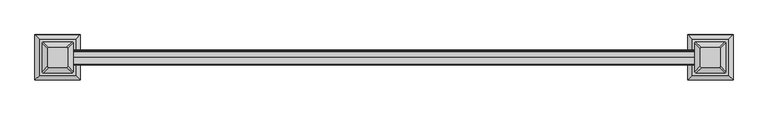
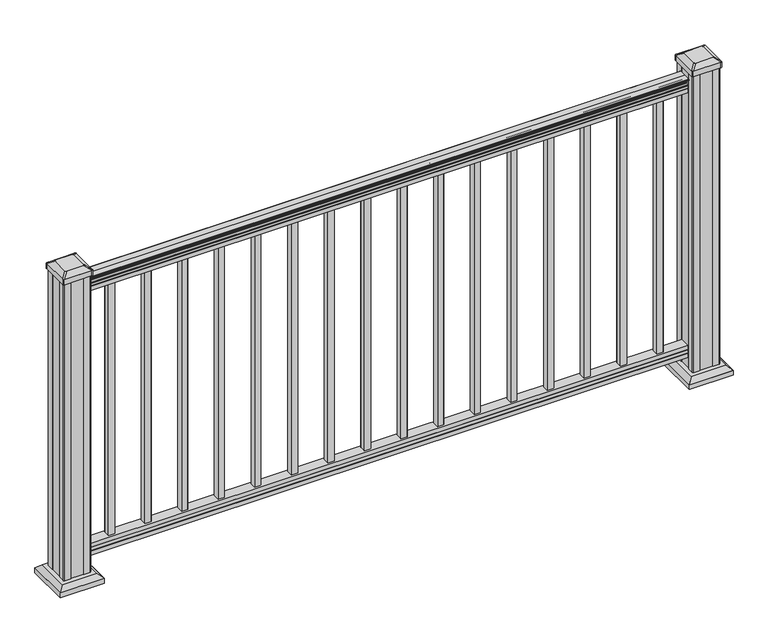
"""IFC4 building model written with IfcOpenShell, lengths in millimetres: railing geometry."""

from ifc_helpers import new_model, si_unit, point, frame, frame_2d, origin, origin_with_axes, place, context, project, spatial, polyline, circle_curve, trimmed, segment, composite_curve, outline, extrude, faceted_brep, source, transform, mapped, element, save
from ifc_brep_helpers import plane_surface, extruded_surface, advanced_brep


def railing_eaf5a454(model_context):
    return source(origin(), model_context, "Body", "SolidModel", [
        extrude(outline(composite_curve([segment(trimmed(circle_curve(frame_2d((3957.2690602, 938.4043297)), 1.2869144), [point((3958.5559745, 938.4043297))], [point((3955.9821458, 938.4043297))], False, "CARTESIAN"), True, "CONTINUOUS"), segment(polyline([(3955.9821458, 938.4043297), (3955.9821458, 927.747013), (3956.9981458, 926.731013), (3956.9981458, 914.4), (3925.2481458, 914.4), (3925.2481458, 926.8888283), (3926.2641458, 927.9048283), (3926.2641458, 938.4043297)]), True, "CONTINUOUS"), segment(trimmed(circle_curve(frame_2d((3924.9772314, 938.4043297)), 1.2869144), [point((3926.2641458, 938.4043297))], [point((3923.6903171, 938.4043297))], False, "CARTESIAN"), True, "CONTINUOUS"), segment(polyline([(3923.6903171, 938.4043297), (3923.6903171, 940.292412)]), True, "CONTINUOUS"), segment(trimmed(circle_curve(frame_2d((3930.0050703, 946.0506383)), 8.545951), [point((3923.6903171, 940.292412))], [point((3922.5601308, 941.8546695))], False, "CARTESIAN"), True, "CONTINUOUS"), segment(trimmed(circle_curve(frame_2d((3929.5680074, 945.4636577)), 7.882584), [point((3922.5601308, 941.8546695))], [point((3922.5601308, 949.0726458))], False, "CARTESIAN"), True, "CONTINUOUS"), segment(trimmed(circle_curve(frame_2d((3919.0546832, 951.3112527)), 4.1592695), [point((3922.5601308, 949.0726458))], [point((3923.2093872, 951.5060812))], True, "CARTESIAN"), True, "CONTINUOUS"), segment(trimmed(circle_curve(frame_2d((3917.7673767, 951.2508864)), 5.4479907), [point((3923.2093872, 951.5060812))], [point((3920.7093872, 955.8362083))], True, "CARTESIAN"), True, "CONTINUOUS"), segment(trimmed(circle_curve(frame_2d((3919.0005351, 955.833395)), 1.7088543), [point((3920.7093872, 955.8362083))], [point((3919.3000447, 957.5157972))], True, "CARTESIAN"), True, "CONTINUOUS"), segment(trimmed(circle_curve(frame_2d((3920.6174352, 958.6205318)), 1.7192895), [point((3919.3000447, 957.5157972))], [point((3918.8981457, 958.6205318))], False, "CARTESIAN"), True, "CONTINUOUS"), segment(polyline([(3918.8981457, 958.6205318), (3918.8981458, 959.9608158)]), True, "CONTINUOUS"), segment(trimmed(circle_curve(frame_2d((3920.451593, 959.9608158)), 1.5534472), [point((3918.8981458, 959.9608158))], [point((3920.451593, 961.514263))], False, "CARTESIAN"), True, "CONTINUOUS"), segment(polyline([(3920.451593, 961.514263), (3941.1231458, 961.514263), (3961.7946986, 961.514263)]), True, "CONTINUOUS"), segment(trimmed(circle_curve(frame_2d((3961.7946986, 959.9608158)), 1.5534472), [point((3961.7946986, 961.514263))], [point((3963.3481458, 959.9608158))], False, "CARTESIAN"), True, "CONTINUOUS"), segment(polyline([(3963.3481458, 959.9608158), (3963.3481458, 958.6205318)]), True, "CONTINUOUS"), segment(trimmed(circle_curve(frame_2d((3961.6288564, 958.6205318)), 1.7192895), [point((3963.3481458, 958.6205318))], [point((3962.9462469, 957.5157972))], False, "CARTESIAN"), True, "CONTINUOUS"), segment(trimmed(circle_curve(frame_2d((3963.2457565, 955.833395)), 1.7088543), [point((3962.9462469, 957.5157972))], [point((3961.5369044, 955.8362083))], True, "CARTESIAN"), True, "CONTINUOUS"), segment(trimmed(circle_curve(frame_2d((3964.4789149, 951.2508864)), 5.4479907), [point((3961.5369044, 955.8362083))], [point((3959.0369044, 951.5060812))], True, "CARTESIAN"), True, "CONTINUOUS"), segment(trimmed(circle_curve(frame_2d((3963.1916083, 951.3112527)), 4.1592695), [point((3959.0369044, 951.5060812))], [point((3959.6861608, 949.0726458))], True, "CARTESIAN"), True, "CONTINUOUS"), segment(trimmed(circle_curve(frame_2d((3952.6782842, 945.4636577)), 7.882584), [point((3959.6861608, 949.0726458))], [point((3959.6861608, 941.8546695))], False, "CARTESIAN"), True, "CONTINUOUS"), segment(trimmed(circle_curve(frame_2d((3952.2412213, 946.0506383)), 8.545951), [point((3959.6861608, 941.8546695))], [point((3958.5559745, 940.292412))], False, "CARTESIAN"), True, "CONTINUOUS"), segment(polyline([(3958.5559745, 940.292412), (3958.5559745, 938.4043297)]), True, "CONTINUOUS")], self_intersect=False)), frame((17200.486903, 0.0, 0.0), z_axis=(1.0, 0.0, 0.0), x_axis=(0.0, 1.0, 0.0)), (0.0, 0.0, 1.0), 1828.8),
        extrude(outline(polyline([(3957.0356327, 76.0541976), (3957.0356327, 63.5), (3925.2856327, 63.5), (3925.2856327, 76.0375508), (3926.3016327, 77.3858283), (3926.3016327, 87.6975248), (3925.2856327, 89.0458024), (3925.2856327, 101.5958781), (3957.0356327, 101.5958781), (3957.0356327, 89.0624492), (3956.0196327, 87.7141717), (3956.0196327, 77.3546183), (3957.0356327, 76.0541976)])), frame((17200.486903, 0.0, 0.0), z_axis=(1.0, 0.0, 0.0), x_axis=(0.0, 1.0, 0.0)), (0.0, 0.0, 1.0), 1828.8),
        extrude(outline(polyline([(18938.799403, 3950.6481458), (18957.849403, 3950.6481458), (18957.849403, 3931.5981458), (18938.799403, 3931.5981458), (18938.799403, 3950.6481458)]), holes=[polyline([(18939.196278, 3950.2512708), (18939.196278, 3931.9950208), (18957.452528, 3931.9950208), (18957.452528, 3950.2512708), (18939.196278, 3950.2512708)])]), frame((0.0, 0.0, 101.5958781), z_axis=(0.0, 0.0, 1.0), x_axis=(1.0, 0.0, 0.0)), (0.0, 0.0, 1.0), 812.8041219),
        extrude(outline(polyline([(18827.674403, 3950.6481458), (18846.724403, 3950.6481458), (18846.724403, 3931.5981458), (18827.674403, 3931.5981458), (18827.674403, 3950.6481458)]), holes=[polyline([(18828.071278, 3950.2512708), (18828.071278, 3931.9950208), (18846.327528, 3931.9950208), (18846.327528, 3950.2512708), (18828.071278, 3950.2512708)])]), frame((0.0, 0.0, 101.5958781), z_axis=(0.0, 0.0, 1.0), x_axis=(1.0, 0.0, 0.0)), (0.0, 0.0, 1.0), 812.8041219),
        extrude(outline(polyline([(18716.549403, 3950.6481458), (18735.599403, 3950.6481458), (18735.599403, 3931.5981458), (18716.549403, 3931.5981458), (18716.549403, 3950.6481458)]), holes=[polyline([(18716.946278, 3950.2512708), (18716.946278, 3931.9950208), (18735.202528, 3931.9950208), (18735.202528, 3950.2512708), (18716.946278, 3950.2512708)])]), frame((0.0, 0.0, 101.5958781), z_axis=(0.0, 0.0, 1.0), x_axis=(1.0, 0.0, 0.0)), (0.0, 0.0, 1.0), 812.8041219),
        extrude(outline(polyline([(18605.424403, 3950.6481458), (18624.474403, 3950.6481458), (18624.474403, 3931.5981458), (18605.424403, 3931.5981458), (18605.424403, 3950.6481458)]), holes=[polyline([(18605.821278, 3950.2512708), (18605.821278, 3931.9950208), (18624.077528, 3931.9950208), (18624.077528, 3950.2512708), (18605.821278, 3950.2512708)])]), frame((0.0, 0.0, 101.5958781), z_axis=(0.0, 0.0, 1.0), x_axis=(1.0, 0.0, 0.0)), (0.0, 0.0, 1.0), 812.8041219),
        extrude(outline(polyline([(18494.299403, 3950.6481458), (18513.349403, 3950.6481458), (18513.349403, 3931.5981458), (18494.299403, 3931.5981458), (18494.299403, 3950.6481458)]), holes=[polyline([(18494.696278, 3950.2512708), (18494.696278, 3931.9950208), (18512.952528, 3931.9950208), (18512.952528, 3950.2512708), (18494.696278, 3950.2512708)])]), frame((0.0, 0.0, 101.5958781), z_axis=(0.0, 0.0, 1.0), x_axis=(1.0, 0.0, 0.0)), (0.0, 0.0, 1.0), 812.8041219),
        extrude(outline(polyline([(18383.174403, 3950.6481458), (18402.224403, 3950.6481458), (18402.224403, 3931.5981458), (18383.174403, 3931.5981458), (18383.174403, 3950.6481458)]), holes=[polyline([(18383.571278, 3950.2512708), (18383.571278, 3931.9950208), (18401.827528, 3931.9950208), (18401.827528, 3950.2512708), (18383.571278, 3950.2512708)])]), frame((0.0, 0.0, 101.5958781), z_axis=(0.0, 0.0, 1.0), x_axis=(1.0, 0.0, 0.0)), (0.0, 0.0, 1.0), 812.8041219),
        extrude(outline(polyline([(18272.049403, 3950.6481458), (18291.099403, 3950.6481458), (18291.099403, 3931.5981458), (18272.049403, 3931.5981458), (18272.049403, 3950.6481458)]), holes=[polyline([(18272.446278, 3950.2512708), (18272.446278, 3931.9950208), (18290.702528, 3931.9950208), (18290.702528, 3950.2512708), (18272.446278, 3950.2512708)])]), frame((0.0, 0.0, 101.5958781), z_axis=(0.0, 0.0, 1.0), x_axis=(1.0, 0.0, 0.0)), (0.0, 0.0, 1.0), 812.8041219),
        extrude(outline(polyline([(18160.924403, 3950.6481458), (18179.974403, 3950.6481458), (18179.974403, 3931.5981458), (18160.924403, 3931.5981458), (18160.924403, 3950.6481458)]), holes=[polyline([(18161.321278, 3950.2512708), (18161.321278, 3931.9950208), (18179.577528, 3931.9950208), (18179.577528, 3950.2512708), (18161.321278, 3950.2512708)])]), frame((0.0, 0.0, 101.5958781), z_axis=(0.0, 0.0, 1.0), x_axis=(1.0, 0.0, 0.0)), (0.0, 0.0, 1.0), 812.8041219),
        extrude(outline(polyline([(18049.799403, 3950.6481458), (18068.849403, 3950.6481458), (18068.849403, 3931.5981458), (18049.799403, 3931.5981458), (18049.799403, 3950.6481458)]), holes=[polyline([(18050.196278, 3950.2512708), (18050.196278, 3931.9950208), (18068.452528, 3931.9950208), (18068.452528, 3950.2512708), (18050.196278, 3950.2512708)])]), frame((0.0, 0.0, 101.5958781), z_axis=(0.0, 0.0, 1.0), x_axis=(1.0, 0.0, 0.0)), (0.0, 0.0, 1.0), 812.8041219),
        extrude(outline(polyline([(17938.674403, 3950.6481458), (17957.724403, 3950.6481458), (17957.724403, 3931.5981458), (17938.674403, 3931.5981458), (17938.674403, 3950.6481458)]), holes=[polyline([(17939.071278, 3950.2512708), (17939.071278, 3931.9950208), (17957.327528, 3931.9950208), (17957.327528, 3950.2512708), (17939.071278, 3950.2512708)])]), frame((0.0, 0.0, 101.5958781), z_axis=(0.0, 0.0, 1.0), x_axis=(1.0, 0.0, 0.0)), (0.0, 0.0, 1.0), 812.8041219),
        extrude(outline(polyline([(17827.549403, 3950.6481458), (17846.599403, 3950.6481458), (17846.599403, 3931.5981458), (17827.549403, 3931.5981458), (17827.549403, 3950.6481458)]), holes=[polyline([(17827.946278, 3950.2512708), (17827.946278, 3931.9950208), (17846.202528, 3931.9950208), (17846.202528, 3950.2512708), (17827.946278, 3950.2512708)])]), frame((0.0, 0.0, 101.5958781), z_axis=(0.0, 0.0, 1.0), x_axis=(1.0, 0.0, 0.0)), (0.0, 0.0, 1.0), 812.8041219),
        extrude(outline(polyline([(17716.424403, 3950.6481458), (17735.474403, 3950.6481458), (17735.474403, 3931.5981458), (17716.424403, 3931.5981458), (17716.424403, 3950.6481458)]), holes=[polyline([(17716.821278, 3950.2512708), (17716.821278, 3931.9950208), (17735.077528, 3931.9950208), (17735.077528, 3950.2512708), (17716.821278, 3950.2512708)])]), frame((0.0, 0.0, 101.5958781), z_axis=(0.0, 0.0, 1.0), x_axis=(1.0, 0.0, 0.0)), (0.0, 0.0, 1.0), 812.8041219),
        extrude(outline(polyline([(17605.299403, 3950.6481458), (17624.349403, 3950.6481458), (17624.349403, 3931.5981458), (17605.299403, 3931.5981458), (17605.299403, 3950.6481458)]), holes=[polyline([(17605.696278, 3950.2512708), (17605.696278, 3931.9950208), (17623.952528, 3931.9950208), (17623.952528, 3950.2512708), (17605.696278, 3950.2512708)])]), frame((0.0, 0.0, 101.5958781), z_axis=(0.0, 0.0, 1.0), x_axis=(1.0, 0.0, 0.0)), (0.0, 0.0, 1.0), 812.8041219),
        extrude(outline(polyline([(17494.174403, 3950.6481458), (17513.224403, 3950.6481458), (17513.224403, 3931.5981458), (17494.174403, 3931.5981458), (17494.174403, 3950.6481458)]), holes=[polyline([(17494.571278, 3950.2512708), (17494.571278, 3931.9950208), (17512.827528, 3931.9950208), (17512.827528, 3950.2512708), (17494.571278, 3950.2512708)])]), frame((0.0, 0.0, 101.5958781), z_axis=(0.0, 0.0, 1.0), x_axis=(1.0, 0.0, 0.0)), (0.0, 0.0, 1.0), 812.8041219),
        extrude(outline(polyline([(17383.049403, 3950.6481458), (17402.099403, 3950.6481458), (17402.099403, 3931.5981458), (17383.049403, 3931.5981458), (17383.049403, 3950.6481458)]), holes=[polyline([(17383.446278, 3950.2512708), (17383.446278, 3931.9950208), (17401.702528, 3931.9950208), (17401.702528, 3950.2512708), (17383.446278, 3950.2512708)])]), frame((0.0, 0.0, 101.5958781), z_axis=(0.0, 0.0, 1.0), x_axis=(1.0, 0.0, 0.0)), (0.0, 0.0, 1.0), 812.8041219),
        extrude(outline(polyline([(17271.924403, 3950.6481458), (17290.974403, 3950.6481458), (17290.974403, 3931.5981458), (17271.924403, 3931.5981458), (17271.924403, 3950.6481458)]), holes=[polyline([(17272.321278, 3950.2512708), (17272.321278, 3931.9950208), (17290.577528, 3931.9950208), (17290.577528, 3950.2512708), (17272.321278, 3950.2512708)])]), frame((0.0, 0.0, 101.5958781), z_axis=(0.0, 0.0, 1.0), x_axis=(1.0, 0.0, 0.0)), (0.0, 0.0, 1.0), 812.8041219),
        faceted_brep([(19017.9759655, 3993.7090833, 28.575), (19017.9759655, 3888.5372083, 28.575), (19123.1478405, 3888.5372083, 28.575), (19123.1478405, 3993.7090833, 28.575), (19003.9365123, 4007.7485364, 15.24), (19137.1872936, 4007.7485364, 15.24), (19137.1872936, 3874.4977552, 15.24), (19003.9365123, 3874.4977552, 15.24)], [[[0, 1, 2, 3]], [[4, 5, 6, 7]], [[4, 7, 1, 0]], [[7, 6, 2, 1]], [[6, 5, 3, 2]], [[5, 4, 0, 3]]]),
        extrude(outline(polyline([(19003.9365123, 4007.7485364), (19137.1872936, 4007.7485364), (19137.1872936, 3874.4977552), (19003.9365123, 3874.4977552), (19003.9365123, 4007.7485364)])), origin_with_axes(), (0.0, 0.0, 1.0), 15.24),
        advanced_brep(
        [(19041.590028, 3915.3262708, 1012.825), (19044.765028, 3912.1512708, 1012.825), (19096.358778, 3912.1512708, 1012.825), (19099.533778, 3915.3262708, 1012.825), (19099.533778, 3966.9200208, 1012.825), (19096.358778, 3970.0950208, 1012.825), (19044.765028, 3970.0950208, 1012.825), (19041.590028, 3966.9200208, 1012.825), (19025.318153, 3899.0543958, 1001.522), (19025.318153, 3983.1918958, 1001.522), (19028.493153, 3986.3668958, 1001.522), (19112.630653, 3986.3668958, 1001.522), (19115.805653, 3983.1918958, 1001.522), (19115.805653, 3899.0543958, 1001.522), (19112.630653, 3895.8793958, 1001.522), (19028.493153, 3895.8793958, 1001.522)],
        [
            (0, 1, circle_curve(frame((19044.765028, 3915.3262708, 1012.825), z_axis=(0.0, 0.0, 1.0), x_axis=(1.0, 0.0, 0.0)), 3.175)),
            (1, 2),
            (2, 3, circle_curve(frame((19096.358778, 3915.3262708, 1012.825), z_axis=(0.0, 0.0, 1.0), x_axis=(1.0, 0.0, 0.0)), 3.175)),
            (3, 4),
            (4, 5, circle_curve(frame((19096.358778, 3966.9200208, 1012.825), z_axis=(0.0, 0.0, 1.0), x_axis=(1.0, 0.0, 0.0)), 3.175)),
            (5, 6),
            (6, 7, circle_curve(frame((19044.765028, 3966.9200208, 1012.825), z_axis=(0.0, 0.0, 1.0), x_axis=(1.0, 0.0, 0.0)), 3.175)),
            (7, 0),
            (8, 9),
            (9, 10, circle_curve(frame((19028.493153, 3983.1918958, 1001.522), z_axis=(0.0, 0.0, -1.0), x_axis=(1.0, 0.0, 0.0)), 3.175)),
            (10, 11),
            (11, 12, circle_curve(frame((19112.630653, 3983.1918958, 1001.522), z_axis=(0.0, 0.0, -1.0), x_axis=(1.0, 0.0, 0.0)), 3.175)),
            (12, 13),
            (13, 14, circle_curve(frame((19112.630653, 3899.0543958, 1001.522), z_axis=(0.0, 0.0, -1.0), x_axis=(1.0, 0.0, 0.0)), 3.175)),
            (14, 15),
            (15, 8, circle_curve(frame((19028.493153, 3899.0543958, 1001.522), z_axis=(0.0, 0.0, -1.0), x_axis=(1.0, 0.0, 0.0)), 3.175)),
            (15, 1),
            (0, 8),
            (14, 2),
            (13, 3),
            (12, 4),
            (11, 5),
            (10, 6),
            (9, 7),
        ],
        [
            plane_surface(frame((19070.561903, 3941.1231458, 1012.825), z_axis=(0.0, 0.0, 1.0), x_axis=(0.0, -1.0, 0.0))),
            plane_surface(frame((19070.561903, 3941.1231458, 1001.522), z_axis=(0.0, 0.0, -1.0), x_axis=(0.0, -1.0, 0.0))),
            extruded_surface(trimmed(circle_curve(frame((19028.493153, 3899.0543958, 1001.522), z_axis=(0.0, 0.0, 1.0), x_axis=(1.0, 0.0, 0.0)), 3.175), [point((19025.318153, 3899.0543958, 1001.522))], [point((19028.493153, 3895.8793958, 1001.522))], True, "CARTESIAN"), (16.271875000002183, 16.271875000000364, 11.302999999999997), 25.63797263886778),
            plane_surface(frame((19070.561903, 3895.8793958, 1001.522), z_axis=(0.0, -0.5705009161540779, 0.8212969649690408), x_axis=(1.0, 0.0, 0.0))),
            extruded_surface(trimmed(circle_curve(frame((19112.630653, 3899.0543958, 1001.522), z_axis=(0.0, 0.0, 1.0), x_axis=(1.0, 0.0, 0.0)), 3.175), [point((19112.630653, 3895.8793958, 1001.522))], [point((19115.805653, 3899.0543958, 1001.522))], True, "CARTESIAN"), (-16.271874999998545, 16.271875000000364, 11.302999999999997), 25.637972638865467),
            plane_surface(frame((19115.805653, 3941.1231458, 1001.522), z_axis=(0.5705009161540291, 0.0, 0.8212969649690747), x_axis=(0.0, 1.0, 0.0))),
            extruded_surface(trimmed(circle_curve(frame((19112.630653, 3983.1918958, 1001.522), z_axis=(0.0, 0.0, 1.0), x_axis=(1.0, 0.0, 0.0)), 3.175), [point((19115.805653, 3983.1918958, 1001.522))], [point((19112.630653, 3986.3668958, 1001.522))], True, "CARTESIAN"), (-16.271874999998545, -16.27187499999991, 11.302999999999997), 25.63797263886518),
            plane_surface(frame((19070.561903, 3986.3668958, 1001.522), z_axis=(0.0, 0.5705009161540141, 0.8212969649690851), x_axis=(-1.0, 0.0, 0.0))),
            extruded_surface(trimmed(circle_curve(frame((19028.493153, 3983.1918958, 1001.522), z_axis=(0.0, 0.0, 1.0), x_axis=(1.0, 0.0, 0.0)), 3.175), [point((19028.493153, 3986.3668958, 1001.522))], [point((19025.318153, 3983.1918958, 1001.522))], True, "CARTESIAN"), (16.271875000002183, -16.27187499999991, 11.302999999999997), 25.63797263886749),
            plane_surface(frame((19025.318153, 3941.1231458, 1001.522), z_axis=(-0.570500916154034, 0.0, 0.8212969649690713), x_axis=(0.0, -1.0, 0.0))),
        ],
        [
            (0, [[1, 2, 3, 4, 5, 6, 7, 8]]),
            (1, [[9, 10, 11, 12, 13, 14, 15, 16]]),
            (2, [[-16, 17, -1, 18]]),
            (3, [[-15, 19, -2, -17]]),
            (4, [[-14, 20, -3, -19]]),
            (5, [[-13, 21, -4, -20]]),
            (6, [[-12, 22, -5, -21]]),
            (7, [[-11, 23, -6, -22]]),
            (8, [[-10, 24, -7, -23]]),
            (9, [[-9, -18, -8, -24]]),
        ],
    ),
        extrude(outline(composite_curve([segment(polyline([(19025.318153, 3899.0543958), (19025.318153, 3983.1918958)]), True, "CONTINUOUS"), segment(trimmed(circle_curve(frame_2d((19028.493153, 3983.1918958)), 3.175), [point((19025.318153, 3983.1918958))], [point((19028.493153, 3986.3668958))], False, "CARTESIAN"), True, "CONTINUOUS"), segment(polyline([(19028.493153, 3986.3668958), (19112.630653, 3986.3668958)]), True, "CONTINUOUS"), segment(trimmed(circle_curve(frame_2d((19112.630653, 3983.1918958)), 3.175), [point((19112.630653, 3986.3668958))], [point((19115.805653, 3983.1918958))], False, "CARTESIAN"), True, "CONTINUOUS"), segment(polyline([(19115.805653, 3983.1918958), (19115.805653, 3899.0543958)]), True, "CONTINUOUS"), segment(trimmed(circle_curve(frame_2d((19112.630653, 3899.0543958)), 3.175), [point((19115.805653, 3899.0543958))], [point((19112.630653, 3895.8793958))], False, "CARTESIAN"), True, "CONTINUOUS"), segment(polyline([(19112.630653, 3895.8793958), (19028.493153, 3895.8793958)]), True, "CONTINUOUS"), segment(trimmed(circle_curve(frame_2d((19028.493153, 3899.0543958)), 3.175), [point((19028.493153, 3895.8793958))], [point((19025.318153, 3899.0543958))], False, "CARTESIAN"), True, "CONTINUOUS")], self_intersect=False)), frame((0.0, 0.0, 984.25), z_axis=(0.0, 0.0, 1.0), x_axis=(1.0, 0.0, 0.0)), (0.0, 0.0, 1.0), 17.272),
        extrude(outline(polyline([(19029.286903, 3901.4356458), (19029.286903, 3921.0571458), (19030.874403, 3921.8191458), (19030.874403, 3960.4271458), (19029.286903, 3961.1891458), (19029.286903, 3980.8106458), (19030.874403, 3982.3981458), (19050.495903, 3982.3981458), (19051.257903, 3980.8106458), (19089.865903, 3980.8106458), (19090.627903, 3982.3981458), (19110.249403, 3982.3981458), (19111.836903, 3980.8106458), (19111.836903, 3961.1891458), (19110.249403, 3960.4271458), (19110.249403, 3921.8191458), (19111.836903, 3921.0571458), (19111.836903, 3901.4356458), (19110.249403, 3899.8481458), (19090.627903, 3899.8481458), (19089.865903, 3901.4356458), (19051.257903, 3901.4356458), (19050.495903, 3899.8481458), (19030.874403, 3899.8481458), (19029.286903, 3901.4356458)])), origin_with_axes(), (0.0, 0.0, 1.0), 984.25),
        faceted_brep([(17106.6259655, 3993.7090833, 28.575), (17106.6259655, 3888.5372083, 28.575), (17211.7978405, 3888.5372083, 28.575), (17211.7978405, 3993.7090833, 28.575), (17092.5865123, 4007.7485364, 15.24), (17225.8372936, 4007.7485364, 15.24), (17225.8372936, 3874.4977552, 15.24), (17092.5865123, 3874.4977552, 15.24)], [[[0, 1, 2, 3]], [[4, 5, 6, 7]], [[4, 7, 1, 0]], [[7, 6, 2, 1]], [[6, 5, 3, 2]], [[5, 4, 0, 3]]]),
        extrude(outline(polyline([(17092.5865123, 4007.7485364), (17225.8372936, 4007.7485364), (17225.8372936, 3874.4977552), (17092.5865123, 3874.4977552), (17092.5865123, 4007.7485364)])), origin_with_axes(), (0.0, 0.0, 1.0), 15.24),
        advanced_brep(
        [(17130.240028, 3915.3262708, 1012.825), (17133.415028, 3912.1512708, 1012.825), (17185.008778, 3912.1512708, 1012.825), (17188.183778, 3915.3262708, 1012.825), (17188.183778, 3966.9200208, 1012.825), (17185.008778, 3970.0950208, 1012.825), (17133.415028, 3970.0950208, 1012.825), (17130.240028, 3966.9200208, 1012.825), (17113.968153, 3899.0543958, 1001.522), (17113.968153, 3983.1918958, 1001.522), (17117.143153, 3986.3668958, 1001.522), (17201.280653, 3986.3668958, 1001.522), (17204.455653, 3983.1918958, 1001.522), (17204.455653, 3899.0543958, 1001.522), (17201.280653, 3895.8793958, 1001.522), (17117.143153, 3895.8793958, 1001.522)],
        [
            (0, 1, circle_curve(frame((17133.415028, 3915.3262708, 1012.825), z_axis=(0.0, 0.0, 1.0), x_axis=(1.0, 0.0, 0.0)), 3.175)),
            (1, 2),
            (2, 3, circle_curve(frame((17185.008778, 3915.3262708, 1012.825), z_axis=(0.0, 0.0, 1.0), x_axis=(1.0, 0.0, 0.0)), 3.175)),
            (3, 4),
            (4, 5, circle_curve(frame((17185.008778, 3966.9200208, 1012.825), z_axis=(0.0, 0.0, 1.0), x_axis=(1.0, 0.0, 0.0)), 3.175)),
            (5, 6),
            (6, 7, circle_curve(frame((17133.415028, 3966.9200208, 1012.825), z_axis=(0.0, 0.0, 1.0), x_axis=(1.0, 0.0, 0.0)), 3.175)),
            (7, 0),
            (8, 9),
            (9, 10, circle_curve(frame((17117.143153, 3983.1918958, 1001.522), z_axis=(0.0, 0.0, -1.0), x_axis=(1.0, 0.0, 0.0)), 3.175)),
            (10, 11),
            (11, 12, circle_curve(frame((17201.280653, 3983.1918958, 1001.522), z_axis=(0.0, 0.0, -1.0), x_axis=(1.0, 0.0, 0.0)), 3.175)),
            (12, 13),
            (13, 14, circle_curve(frame((17201.280653, 3899.0543958, 1001.522), z_axis=(0.0, 0.0, -1.0), x_axis=(1.0, 0.0, 0.0)), 3.175)),
            (14, 15),
            (15, 8, circle_curve(frame((17117.143153, 3899.0543958, 1001.522), z_axis=(0.0, 0.0, -1.0), x_axis=(1.0, 0.0, 0.0)), 3.175)),
            (15, 1),
            (0, 8),
            (14, 2),
            (13, 3),
            (12, 4),
            (11, 5),
            (10, 6),
            (9, 7),
        ],
        [
            plane_surface(frame((17159.211903, 3941.1231458, 1012.825), z_axis=(0.0, 0.0, 1.0), x_axis=(0.0, -1.0, 0.0))),
            plane_surface(frame((17159.211903, 3941.1231458, 1001.522), z_axis=(0.0, 0.0, -1.0), x_axis=(0.0, -1.0, 0.0))),
            extruded_surface(trimmed(circle_curve(frame((17117.143153, 3899.0543958, 1001.522), z_axis=(0.0, 0.0, 1.0), x_axis=(1.0, 0.0, 0.0)), 3.175), [point((17113.968153, 3899.0543958, 1001.522))], [point((17117.143153, 3895.8793958, 1001.522))], True, "CARTESIAN"), (16.271874999998545, 16.271875000000364, 11.302999999999997), 25.637972638865467),
            plane_surface(frame((17159.211903, 3895.8793958, 1001.522), z_axis=(0.0, -0.5705009161540779, 0.8212969649690408), x_axis=(1.0, 0.0, 0.0))),
            extruded_surface(trimmed(circle_curve(frame((17201.280653, 3899.0543958, 1001.522), z_axis=(0.0, 0.0, 1.0), x_axis=(1.0, 0.0, 0.0)), 3.175), [point((17201.280653, 3895.8793958, 1001.522))], [point((17204.455653, 3899.0543958, 1001.522))], True, "CARTESIAN"), (-16.271875000002183, 16.271875000000364, 11.302999999999997), 25.63797263886778),
            plane_surface(frame((17204.455653, 3941.1231458, 1001.522), z_axis=(0.5705009161540291, 0.0, 0.8212969649690747), x_axis=(0.0, 1.0, 0.0))),
            extruded_surface(trimmed(circle_curve(frame((17201.280653, 3983.1918958, 1001.522), z_axis=(0.0, 0.0, 1.0), x_axis=(1.0, 0.0, 0.0)), 3.175), [point((17204.455653, 3983.1918958, 1001.522))], [point((17201.280653, 3986.3668958, 1001.522))], True, "CARTESIAN"), (-16.271875000002183, -16.27187499999991, 11.302999999999997), 25.63797263886749),
            plane_surface(frame((17159.211903, 3986.3668958, 1001.522), z_axis=(0.0, 0.5705009161540141, 0.8212969649690851), x_axis=(-1.0, 0.0, 0.0))),
            extruded_surface(trimmed(circle_curve(frame((17117.143153, 3983.1918958, 1001.522), z_axis=(0.0, 0.0, 1.0), x_axis=(1.0, 0.0, 0.0)), 3.175), [point((17117.143153, 3986.3668958, 1001.522))], [point((17113.968153, 3983.1918958, 1001.522))], True, "CARTESIAN"), (16.271874999998545, -16.27187499999991, 11.302999999999997), 25.63797263886518),
            plane_surface(frame((17113.968153, 3941.1231458, 1001.522), z_axis=(-0.570500916154034, 0.0, 0.8212969649690713), x_axis=(0.0, -1.0, 0.0))),
        ],
        [
            (0, [[1, 2, 3, 4, 5, 6, 7, 8]]),
            (1, [[9, 10, 11, 12, 13, 14, 15, 16]]),
            (2, [[-16, 17, -1, 18]]),
            (3, [[-15, 19, -2, -17]]),
            (4, [[-14, 20, -3, -19]]),
            (5, [[-13, 21, -4, -20]]),
            (6, [[-12, 22, -5, -21]]),
            (7, [[-11, 23, -6, -22]]),
            (8, [[-10, 24, -7, -23]]),
            (9, [[-9, -18, -8, -24]]),
        ],
    ),
        extrude(outline(composite_curve([segment(polyline([(17113.968153, 3899.0543958), (17113.968153, 3983.1918958)]), True, "CONTINUOUS"), segment(trimmed(circle_curve(frame_2d((17117.143153, 3983.1918958)), 3.175), [point((17113.968153, 3983.1918958))], [point((17117.143153, 3986.3668958))], False, "CARTESIAN"), True, "CONTINUOUS"), segment(polyline([(17117.143153, 3986.3668958), (17201.280653, 3986.3668958)]), True, "CONTINUOUS"), segment(trimmed(circle_curve(frame_2d((17201.280653, 3983.1918958)), 3.175), [point((17201.280653, 3986.3668958))], [point((17204.455653, 3983.1918958))], False, "CARTESIAN"), True, "CONTINUOUS"), segment(polyline([(17204.455653, 3983.1918958), (17204.455653, 3899.0543958)]), True, "CONTINUOUS"), segment(trimmed(circle_curve(frame_2d((17201.280653, 3899.0543958)), 3.175), [point((17204.455653, 3899.0543958))], [point((17201.280653, 3895.8793958))], False, "CARTESIAN"), True, "CONTINUOUS"), segment(polyline([(17201.280653, 3895.8793958), (17117.143153, 3895.8793958)]), True, "CONTINUOUS"), segment(trimmed(circle_curve(frame_2d((17117.143153, 3899.0543958)), 3.175), [point((17117.143153, 3895.8793958))], [point((17113.968153, 3899.0543958))], False, "CARTESIAN"), True, "CONTINUOUS")], self_intersect=False)), frame((0.0, 0.0, 984.25), z_axis=(0.0, 0.0, 1.0), x_axis=(1.0, 0.0, 0.0)), (0.0, 0.0, 1.0), 17.272),
        extrude(outline(polyline([(17117.936903, 3901.4356458), (17117.936903, 3921.0571458), (17119.524403, 3921.8191458), (17119.524403, 3960.4271458), (17117.936903, 3961.1891458), (17117.936903, 3980.8106458), (17119.524403, 3982.3981458), (17139.145903, 3982.3981458), (17139.907903, 3980.8106458), (17178.515903, 3980.8106458), (17179.277903, 3982.3981458), (17198.899403, 3982.3981458), (17200.486903, 3980.8106458), (17200.486903, 3961.1891458), (17198.899403, 3960.4271458), (17198.899403, 3921.8191458), (17200.486903, 3921.0571458), (17200.486903, 3901.4356458), (17198.899403, 3899.8481458), (17179.277903, 3899.8481458), (17178.515903, 3901.4356458), (17139.907903, 3901.4356458), (17139.145903, 3899.8481458), (17119.524403, 3899.8481458), (17117.936903, 3901.4356458)])), origin_with_axes(), (0.0, 0.0, 1.0), 984.25),
    ])


if __name__ == "__main__":
    model = new_model("IFC4")
    model_context = context("Model", 3, world=origin())
    ifc_project = project(units=[si_unit("LENGTHUNIT", "METRE", prefix="MILLI")], contexts=[model_context])
    site = spatial("IfcSite", under=ifc_project)
    building = spatial("IfcBuilding", under=site)
    placement = place(None, origin())
    railing_shape = railing_eaf5a454(model_context)
    element("IfcRailing", 1, at=placement, inside=building, context=model_context, shape_type="MappedRepresentation", body=[
        mapped(railing_shape, transform((0.0, 0.0, 0.0), x_axis=(1.0, 0.0, 0.0), y_axis=(0.0, 1.0, 0.0), z_axis=(0.0, 0.0, 1.0))),
    ])
    save(model, "model.ifc")
